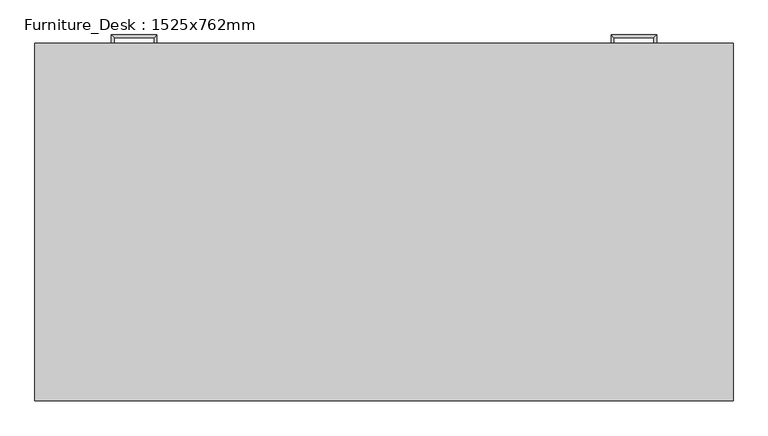
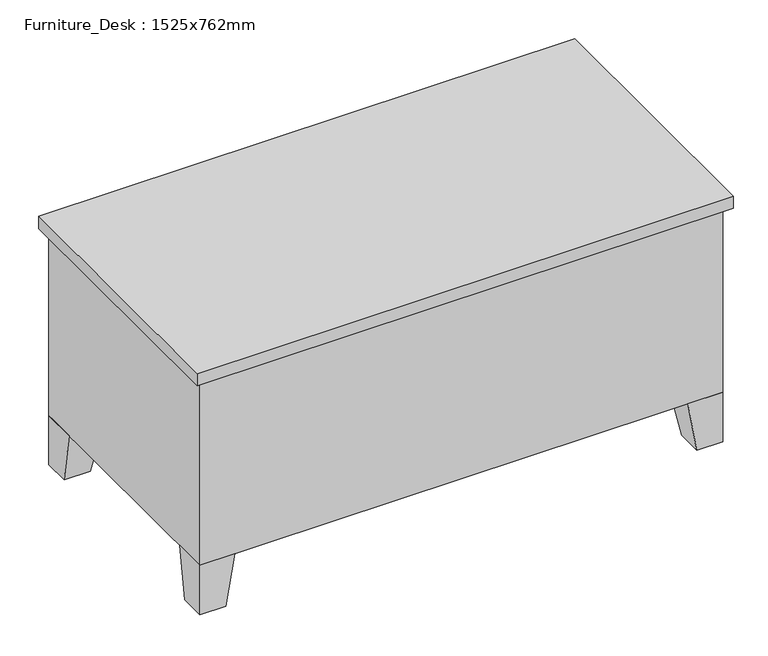
"""IFC4 building model written with IfcOpenShell, lengths in millimetres: furniture geometry, Furniture_Desk : 1525x762mm."""

from ifc_helpers import new_model, si_unit, frame, origin, place, context, project, spatial, polyline, outline, extrude, faceted_brep, source, transform, mapped, element, save


def furniture_desk_1525x762mm_aed207d5(model_context):
    return source(origin(), model_context, "Body", "SolidModel", [
        extrude(outline(polyline([(1505.95, 762.0), (1137.65, 762.0), (1137.65, 774.7), (1505.95, 774.7), (1505.95, 762.0)])), frame((0.0, 0.0, 603.25), z_axis=(0.0, 0.0, 1.0), x_axis=(1.0, 0.0, 0.0)), (0.0, 0.0, 1.0), 101.6),
        extrude(outline(polyline([(1505.95, 762.0), (1137.65, 762.0), (1137.65, 774.7), (1505.95, 774.7), (1505.95, 762.0)])), frame((0.0, 0.0, 171.05), z_axis=(0.0, 0.0, 1.0), x_axis=(1.0, 0.0, 0.0)), (0.0, 0.0, 1.0), 413.15),
        extrude(outline(polyline([(387.35, 762.0), (19.05, 762.0), (19.05, 774.7), (387.35, 774.7), (387.35, 762.0)])), frame((0.0, 0.0, 602.85), z_axis=(0.0, 0.0, 1.0), x_axis=(1.0, 0.0, 0.0)), (0.0, 0.0, 1.0), 102.0),
        extrude(outline(polyline([(387.35, 762.0), (19.05, 762.0), (19.05, 774.7), (387.35, 774.7), (387.35, 762.0)])), frame((0.0, 0.0, 171.05), z_axis=(0.0, 0.0, 1.0), x_axis=(1.0, 0.0, 0.0)), (0.0, 0.0, 1.0), 171.45),
        extrude(outline(polyline([(387.35, 762.0), (19.05, 762.0), (19.05, 774.7), (387.35, 774.7), (387.35, 762.0)])), frame((0.0, 0.0, 482.2), z_axis=(0.0, 0.0, 1.0), x_axis=(1.0, 0.0, 0.0)), (0.0, 0.0, 1.0), 101.6),
        extrude(outline(polyline([(387.35, 762.0), (19.05, 762.0), (19.05, 774.7), (387.35, 774.7), (387.35, 762.0)])), frame((0.0, 0.0, 361.55), z_axis=(0.0, 0.0, 1.0), x_axis=(1.0, 0.0, 0.0)), (0.0, 0.0, 1.0), 101.6),
        faceted_brep([(1423.4, 762.0, 152.0), (1423.4, 660.4, 152.0), (1525.0, 660.4, 152.0), (1525.0, 762.0, 152.0), (1448.8, 762.0, 0.0), (1525.0, 762.0, 0.0), (1525.0, 685.8, 0.0), (1448.8, 685.8, 0.0)], [[[0, 1, 2, 3]], [[4, 5, 6, 7]], [[4, 7, 1, 0]], [[7, 6, 2, 1]], [[6, 5, 3, 2]], [[5, 4, 0, 3]]]),
        faceted_brep([(1423.4, 0.0, 152.0), (1525.0, 0.0, 152.0), (1525.0, 101.6, 152.0), (1423.4, 101.6, 152.0), (1448.8, 0.0, 0.0), (1448.8, 76.2, 0.0), (1525.0, 76.2, 0.0), (1525.0, 0.0, 0.0)], [[[0, 1, 2, 3]], [[4, 5, 6, 7]], [[4, 7, 1, 0]], [[7, 6, 2, 1]], [[6, 5, 3, 2]], [[5, 4, 0, 3]]]),
        faceted_brep([(101.6, 0.0, 152.0), (101.6, 101.6, 152.0), (0.0, 101.6, 152.0), (0.0, 0.0, 152.0), (76.2, 0.0, 0.0), (0.0, 0.0, 0.0), (0.0, 76.2, 0.0), (76.2, 76.2, 0.0)], [[[0, 1, 2, 3]], [[4, 5, 6, 7]], [[4, 7, 1, 0]], [[7, 6, 2, 1]], [[6, 5, 3, 2]], [[5, 4, 0, 3]]]),
        faceted_brep([(101.6, 762.0, 152.0), (0.0, 762.0, 152.0), (0.0, 660.4, 152.0), (101.6, 660.4, 152.0), (76.2, 762.0, 0.0), (76.2, 685.8, 0.0), (0.0, 685.8, 0.0), (0.0, 762.0, 0.0)], [[[0, 1, 2, 3]], [[4, 5, 6, 7]], [[4, 7, 1, 0]], [[7, 6, 2, 1]], [[6, 5, 3, 2]], [[5, 4, 0, 3]]]),
        extrude(outline(polyline([(1544.05, 781.05), (1544.05, -19.05), (-19.05, -19.05), (-19.05, 781.05), (1544.05, 781.05)])), frame((0.0, 0.0, 723.9), z_axis=(0.0, 0.0, 1.0), x_axis=(1.0, 0.0, 0.0)), (0.0, 0.0, 1.0), 38.1),
        extrude(outline(polyline([(406.4, 762.0), (406.4, 50.8), (1118.6, 50.8), (1118.6, 762.0), (1525.0, 762.0), (1525.0, 0.0), (0.0, 0.0), (0.0, 762.0), (406.4, 762.0)])), frame((0.0, 0.0, 152.0), z_axis=(0.0, 0.0, 1.0), x_axis=(1.0, 0.0, 0.0)), (0.0, 0.0, 1.0), 571.9),
        faceted_brep([(1366.25, 774.7, 546.1), (1366.25, 774.7, 533.4), (1372.6, 774.7, 533.4), (1372.6, 774.7, 546.1), (1366.25, 793.75, 546.1), (1366.25, 793.75, 533.4), (1372.6, 800.1, 533.4), (1372.6, 800.1, 546.1), (1277.35, 793.75, 546.1), (1277.35, 793.75, 533.4), (1271.0, 800.1, 533.4), (1271.0, 800.1, 546.1), (1277.35, 774.7, 546.1), (1271.0, 774.7, 546.1), (1271.0, 774.7, 533.4), (1277.35, 774.7, 533.4)], [[[0, 1, 2, 3]], [[1, 0, 4, 5]], [[2, 1, 5, 6]], [[3, 2, 6, 7]], [[0, 3, 7, 4]], [[5, 4, 8, 9]], [[6, 5, 9, 10]], [[7, 6, 10, 11]], [[4, 7, 11, 8]], [[12, 13, 14, 15]], [[9, 8, 12, 15]], [[10, 9, 15, 14]], [[11, 10, 14, 13]], [[8, 11, 13, 12]]]),
        faceted_brep([(1366.25, 774.7, 666.75), (1366.25, 774.7, 654.05), (1372.6, 774.7, 654.05), (1372.6, 774.7, 666.75), (1366.25, 793.75, 666.75), (1366.25, 793.75, 654.05), (1372.6, 800.1, 654.05), (1372.6, 800.1, 666.75), (1277.35, 793.75, 666.75), (1277.35, 793.75, 654.05), (1271.0, 800.1, 654.05), (1271.0, 800.1, 666.75), (1277.35, 774.7, 666.75), (1271.0, 774.7, 666.75), (1271.0, 774.7, 654.05), (1277.35, 774.7, 654.05)], [[[0, 1, 2, 3]], [[1, 0, 4, 5]], [[2, 1, 5, 6]], [[3, 2, 6, 7]], [[0, 3, 7, 4]], [[5, 4, 8, 9]], [[6, 5, 9, 10]], [[7, 6, 10, 11]], [[4, 7, 11, 8]], [[12, 13, 14, 15]], [[9, 8, 12, 15]], [[10, 9, 15, 14]], [[11, 10, 14, 13]], [[8, 11, 13, 12]]]),
        faceted_brep([(158.75, 774.7, 304.8), (152.4, 774.7, 304.8), (152.4, 774.7, 292.1), (158.75, 774.7, 292.1), (158.75, 793.75, 304.8), (152.4, 800.1, 304.8), (152.4, 800.1, 292.1), (158.75, 793.75, 292.1), (247.65, 793.75, 304.8), (254.0, 800.1, 304.8), (254.0, 800.1, 292.1), (247.65, 793.75, 292.1), (247.65, 774.7, 304.8), (247.65, 774.7, 292.1), (254.0, 774.7, 292.1), (254.0, 774.7, 304.8)], [[[0, 1, 2, 3]], [[1, 0, 4, 5]], [[2, 1, 5, 6]], [[3, 2, 6, 7]], [[0, 3, 7, 4]], [[5, 4, 8, 9]], [[6, 5, 9, 10]], [[7, 6, 10, 11]], [[4, 7, 11, 8]], [[12, 13, 14, 15]], [[9, 8, 12, 15]], [[10, 9, 15, 14]], [[11, 10, 14, 13]], [[8, 11, 13, 12]]]),
        faceted_brep([(158.75, 774.7, 425.45), (152.4, 774.7, 425.45), (152.4, 774.7, 412.75), (158.75, 774.7, 412.75), (158.75, 793.75, 425.45), (152.4, 800.1, 425.45), (152.4, 800.1, 412.75), (158.75, 793.75, 412.75), (247.65, 793.75, 425.45), (254.0, 800.1, 425.45), (254.0, 800.1, 412.75), (247.65, 793.75, 412.75), (247.65, 774.7, 425.45), (247.65, 774.7, 412.75), (254.0, 774.7, 412.75), (254.0, 774.7, 425.45)], [[[0, 1, 2, 3]], [[1, 0, 4, 5]], [[2, 1, 5, 6]], [[3, 2, 6, 7]], [[0, 3, 7, 4]], [[5, 4, 8, 9]], [[6, 5, 9, 10]], [[7, 6, 10, 11]], [[4, 7, 11, 8]], [[12, 13, 14, 15]], [[9, 8, 12, 15]], [[10, 9, 15, 14]], [[11, 10, 14, 13]], [[8, 11, 13, 12]]]),
        faceted_brep([(158.75, 774.7, 546.1), (152.4, 774.7, 546.1), (152.4, 774.7, 533.4), (158.75, 774.7, 533.4), (158.75, 793.75, 546.1), (152.4, 800.1, 546.1), (152.4, 800.1, 533.4), (158.75, 793.75, 533.4), (247.65, 793.75, 546.1), (254.0, 800.1, 546.1), (254.0, 800.1, 533.4), (247.65, 793.75, 533.4), (247.65, 774.7, 546.1), (247.65, 774.7, 533.4), (254.0, 774.7, 533.4), (254.0, 774.7, 546.1)], [[[0, 1, 2, 3]], [[1, 0, 4, 5]], [[2, 1, 5, 6]], [[3, 2, 6, 7]], [[0, 3, 7, 4]], [[5, 4, 8, 9]], [[6, 5, 9, 10]], [[7, 6, 10, 11]], [[4, 7, 11, 8]], [[12, 13, 14, 15]], [[9, 8, 12, 15]], [[10, 9, 15, 14]], [[11, 10, 14, 13]], [[8, 11, 13, 12]]]),
        faceted_brep([(158.75, 774.7, 666.75), (152.4, 774.7, 666.75), (152.4, 774.7, 654.05), (158.75, 774.7, 654.05), (158.75, 793.75, 666.75), (152.4, 800.1, 666.75), (152.4, 800.1, 654.05), (158.75, 793.75, 654.05), (247.65, 793.75, 666.75), (254.0, 800.1, 666.75), (254.0, 800.1, 654.05), (247.65, 793.75, 654.05), (247.65, 774.7, 666.75), (247.65, 774.7, 654.05), (254.0, 774.7, 654.05), (254.0, 774.7, 666.75)], [[[0, 1, 2, 3]], [[1, 0, 4, 5]], [[2, 1, 5, 6]], [[3, 2, 6, 7]], [[0, 3, 7, 4]], [[5, 4, 8, 9]], [[6, 5, 9, 10]], [[7, 6, 10, 11]], [[4, 7, 11, 8]], [[12, 13, 14, 15]], [[9, 8, 12, 15]], [[10, 9, 15, 14]], [[11, 10, 14, 13]], [[8, 11, 13, 12]]]),
    ])


if __name__ == "__main__":
    model = new_model("IFC4")
    model_context = context("Model", 3, world=origin())
    ifc_project = project(units=[si_unit("LENGTHUNIT", "METRE", prefix="MILLI")], contexts=[model_context])
    site = spatial("IfcSite", under=ifc_project)
    building = spatial("IfcBuilding", under=site)
    placement = place(None, origin())
    furniture_desk_1525x762mm_shape = furniture_desk_1525x762mm_aed207d5(model_context)
    element("IfcFurniture", 1, ObjectType="Furniture_Desk : 1525x762mm", at=placement, inside=building, context=model_context, shape_type="MappedRepresentation", body=[
        mapped(furniture_desk_1525x762mm_shape, transform((0.0, 0.0, 0.0), x_axis=(1.0, 0.0, 0.0), y_axis=(0.0, 1.0, 0.0), z_axis=(0.0, 0.0, 1.0))),
    ])
    save(model, "model.ifc")
